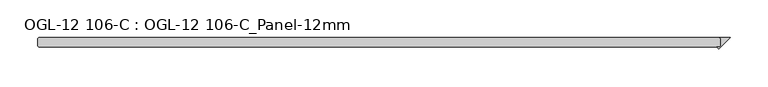
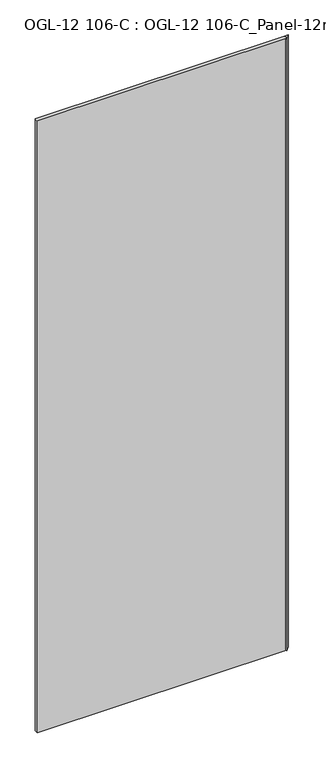
"""IFC4 building model written with IfcOpenShell, lengths in millimetres: plate geometry, OGL-12 106-C : OGL-12 106-C_Panel-12mm."""

from ifc_helpers import new_model, si_unit, origin, origin_with_axes, place, context, project, spatial, polyline, outline, extrude, source, transform, mapped, element, save


def ogl_12_106_c_ogl_12_106_c_panel_12mm_a2345197(model_context):
    return source(origin(), model_context, "Body", "SweptSolid", [
        extrude(outline(polyline([(448.9996868, 4.7625), (447.4121868, 6.35), (461.6996868, 6.35), (446.2896547, -9.060032), (443.5796227, -6.35), (447.4121868, -6.35), (448.9996868, -4.7625), (448.9996868, 4.7625)])), origin_with_axes(), (0.0, 0.0, 1.0), 2339.9738578),
        extrude(outline(polyline([(447.4121868, 6.35), (448.9996868, 4.7625), (448.9996868, -4.7625), (447.4121868, -6.35), (-453.7621868, -6.35), (-455.3496868, -4.7625), (-455.3496868, 4.7625), (-453.7621868, 6.35), (447.4121868, 6.35)])), origin_with_axes(), (0.0, 0.0, 1.0), 2339.9738578),
    ])


if __name__ == "__main__":
    model = new_model("IFC4")
    model_context = context("Model", 3, world=origin())
    ifc_project = project(units=[si_unit("LENGTHUNIT", "METRE", prefix="MILLI")], contexts=[model_context])
    site = spatial("IfcSite", under=ifc_project)
    building = spatial("IfcBuilding", under=site)
    placement = place(None, origin())
    ogl_12_106_c_ogl_12_106_c_panel_12mm_shape = ogl_12_106_c_ogl_12_106_c_panel_12mm_a2345197(model_context)
    element("IfcPlate", 1, ObjectType="OGL-12 106-C : OGL-12 106-C_Panel-12mm", at=placement, inside=building, context=model_context, shape_type="MappedRepresentation", body=[
        mapped(ogl_12_106_c_ogl_12_106_c_panel_12mm_shape, transform((0.0, 0.0, 0.0), x_axis=(1.0, 0.0, 0.0), y_axis=(0.0, 1.0, 0.0), z_axis=(0.0, 0.0, 1.0))),
    ])
    save(model, "model.ifc")
